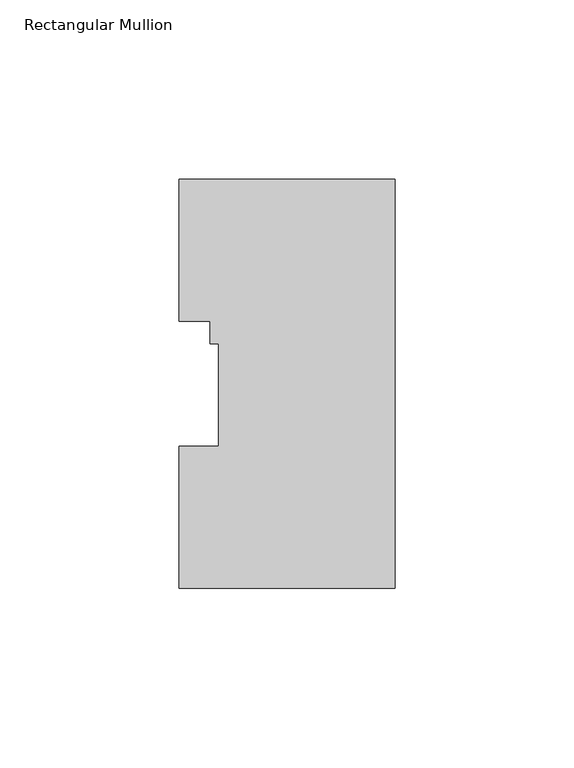
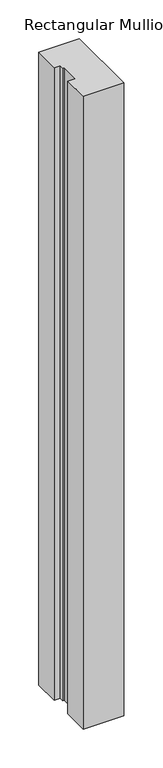
"""IFC4 building model written with IfcOpenShell, lengths in millimetres: member geometry, Rectangular Mullion."""

from ifc_helpers import new_model, si_unit, frame, origin, place, context, project, spatial, polyline, outline, extrude, source, transform, mapped, element, save


def rectangular_mullion_8f40d4ea(model_context):
    return source(origin(), model_context, "Body", "SweptSolid", [
        extrude(outline(polyline([(0.0, 114.271425), (0.0, -0.028575), (-60.325, -0.028575), (-60.325, 39.646225), (-49.2125, 39.646225), (-49.2125, 68.246625), (-51.5874, 68.246625), (-51.5874, 74.596625), (-60.325, 74.596625), (-60.325, 114.271425), (0.0, 114.271425)])), frame((0.0, 0.0, -995.333925), z_axis=(0.0, 0.0, 1.0), x_axis=(1.0, 0.0, 0.0)), (0.0, 0.0, 1.0), 995.333925),
    ])


if __name__ == "__main__":
    model = new_model("IFC4")
    model_context = context("Model", 3, world=origin())
    ifc_project = project(units=[si_unit("LENGTHUNIT", "METRE", prefix="MILLI")], contexts=[model_context])
    site = spatial("IfcSite", under=ifc_project)
    building = spatial("IfcBuilding", under=site)
    placement = place(None, origin())
    rectangular_mullion_shape = rectangular_mullion_8f40d4ea(model_context)
    element("IfcMember", 1, ObjectType="Rectangular Mullion", at=placement, inside=building, context=model_context, shape_type="MappedRepresentation", body=[
        mapped(rectangular_mullion_shape, transform((0.0, 0.0, 0.0), x_axis=(1.0, 0.0, 0.0), y_axis=(0.0, 1.0, 0.0), z_axis=(0.0, 0.0, 1.0))),
    ])
    save(model, "model.ifc")
